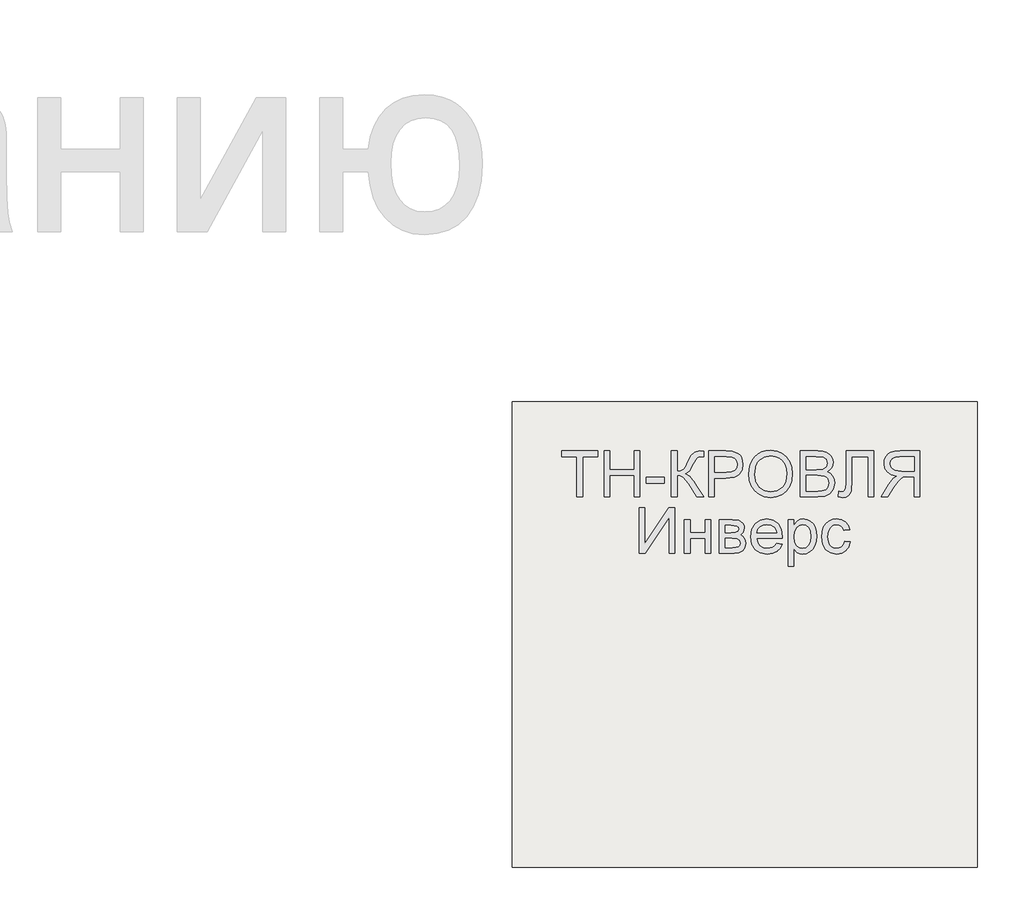
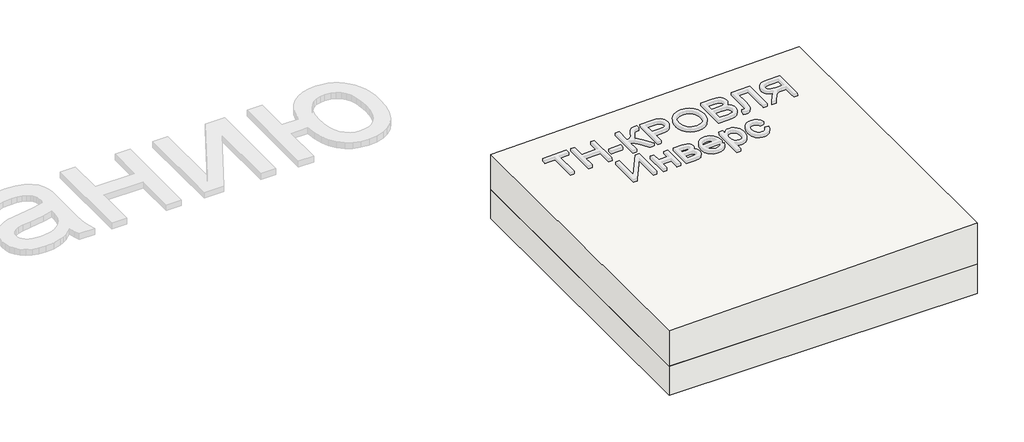
# One storey, part 1 of 3: 1 roof, 1 slab.
"""IFC4 building model written with IfcOpenShell, lengths in millimetres."""

from ifc_helpers import new_model, si_unit, frame, origin, place, context, project, spatial, polyline, outline, extrude, element, save

model = new_model("IFC4")

# Units and contexts
model_context = context("Model", 3, world=origin())
ifc_project = project(units=[si_unit("LENGTHUNIT", "METRE", prefix="MILLI")], contexts=[model_context])

# Site, building, storey
site = spatial("IfcSite", under=ifc_project)
building = spatial("IfcBuilding", under=site)
storey = spatial("IfcBuildingStorey", under=building, Elevation=0.0)

# Roof
placement = place(None, origin())
element("IfcRoof", 1, at=placement, inside=storey, context=model_context, shape_type="SweptSolid", body=[
    extrude(outline(polyline([(241.0, 18706.3955952), (0.0, 18706.3955952), (0.0, 20706.3955952), (281.0, 20706.3955952), (241.0, 18706.3955952)])), frame((0.0, -6302.6148653, 0.0), z_axis=(0.0, 1.0, 0.0), x_axis=(0.0, 0.0, 1.0)), (0.0, 0.0, 1.0), 2000.0),
])

# Slab
element("IfcSlab", 2, at=placement, inside=storey, context=model_context, shape_type="SweptSolid", body=[
    extrude(outline(polyline([(20706.3955952, -6302.6148653), (18706.3955952, -6302.6148653), (18706.3955952, -4302.6148653), (20706.3955952, -4302.6148653), (20706.3955952, -6302.6148653)])), frame((0.0, 0.0, -200.0), z_axis=(0.0, 0.0, 1.0), x_axis=(1.0, 0.0, 0.0)), (0.0, 0.0, 1.0), 200.0),
])

save(model, "model.ifc")
